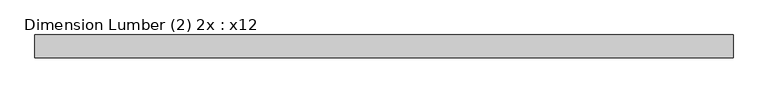
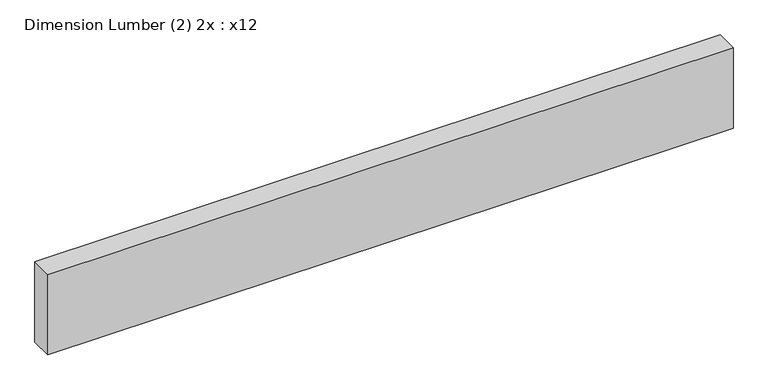
"""IFC4 building model written with IfcOpenShell, lengths in millimetres: beam geometry, Dimension Lumber (2) 2x : x12."""

from ifc_helpers import new_model, si_unit, frame, origin, place, context, project, spatial, polyline, outline, extrude, source, transform, mapped, element, save


def dimension_lumber_2_2x_x12_98a62deb(model_context):
    return source(origin(), model_context, "Body", "SweptSolid", [
        extrude(outline(polyline([(1135.1133, 38.1), (1135.1133, -38.1), (-1173.2133, -38.1), (-1173.2133, 38.1), (1135.1133, 38.1)])), frame((0.0, 0.0, -142.875), z_axis=(0.0, 0.0, 1.0), x_axis=(1.0, 0.0, 0.0)), (0.0, 0.0, 1.0), 285.75),
    ])


if __name__ == "__main__":
    model = new_model("IFC4")
    model_context = context("Model", 3, world=origin())
    ifc_project = project(units=[si_unit("LENGTHUNIT", "METRE", prefix="MILLI")], contexts=[model_context])
    site = spatial("IfcSite", under=ifc_project)
    building = spatial("IfcBuilding", under=site)
    placement = place(None, origin())
    dimension_lumber_2_2x_x12_shape = dimension_lumber_2_2x_x12_98a62deb(model_context)
    element("IfcBeam", 1, ObjectType="Dimension Lumber (2) 2x : x12", at=placement, inside=building, context=model_context, shape_type="MappedRepresentation", body=[
        mapped(dimension_lumber_2_2x_x12_shape, transform((0.0, 0.0, 0.0), x_axis=(1.0, 0.0, 0.0), y_axis=(0.0, 1.0, 0.0), z_axis=(0.0, 0.0, 1.0))),
    ])
    save(model, "model.ifc")
